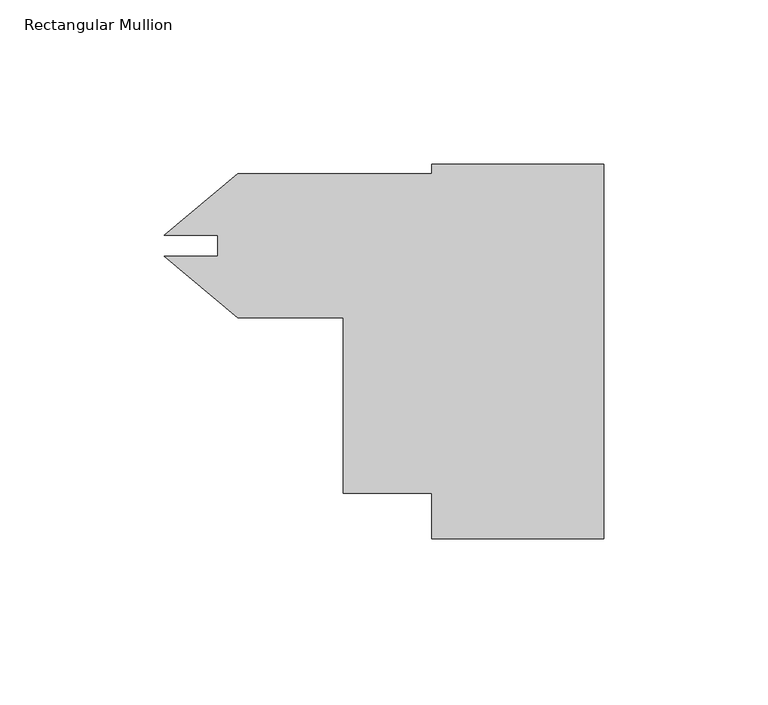
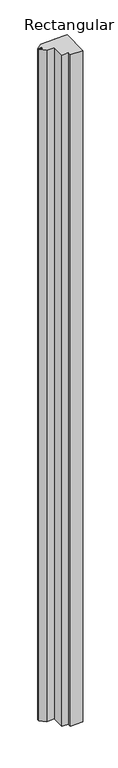
"""IFC4 building model written with IfcOpenShell, lengths in millimetres: member geometry, Rectangular Mullion."""

from ifc_helpers import new_model, si_unit, frame, origin, place, context, project, spatial, polyline, outline, extrude, source, transform, mapped, element, save


def rectangular_mullion_16167d7e(model_context):
    return source(origin(), model_context, "Body", "SweptSolid", [
        extrude(outline(polyline([(0.0, -57.61355), (-52.3875, -57.61355), (-52.3875, -43.75785), (-79.3623, -43.75785), (-79.3623, 9.75995), (-111.4414868, 9.75995), (-133.7662944, 28.4926879), (-117.4877, 28.4926879), (-117.4877, 34.8168121), (-133.7662944, 34.8168121), (-111.4414868, 53.54955), (-52.3875, 53.54955), (-52.3875, 56.44515), (0.0, 56.44515), (0.0, -57.61355)])), frame((0.0, 0.0, -2952.75), z_axis=(0.0, 0.0, 1.0), x_axis=(1.0, 0.0, 0.0)), (0.0, 0.0, 1.0), 2952.75),
    ])


if __name__ == "__main__":
    model = new_model("IFC4")
    model_context = context("Model", 3, world=origin())
    ifc_project = project(units=[si_unit("LENGTHUNIT", "METRE", prefix="MILLI")], contexts=[model_context])
    site = spatial("IfcSite", under=ifc_project)
    building = spatial("IfcBuilding", under=site)
    placement = place(None, origin())
    rectangular_mullion_shape = rectangular_mullion_16167d7e(model_context)
    element("IfcMember", 1, ObjectType="Rectangular Mullion", at=placement, inside=building, context=model_context, shape_type="MappedRepresentation", body=[
        mapped(rectangular_mullion_shape, transform((0.0, 0.0, 0.0), x_axis=(1.0, 0.0, 0.0), y_axis=(0.0, 1.0, 0.0), z_axis=(0.0, 0.0, 1.0))),
    ])
    save(model, "model.ifc")
